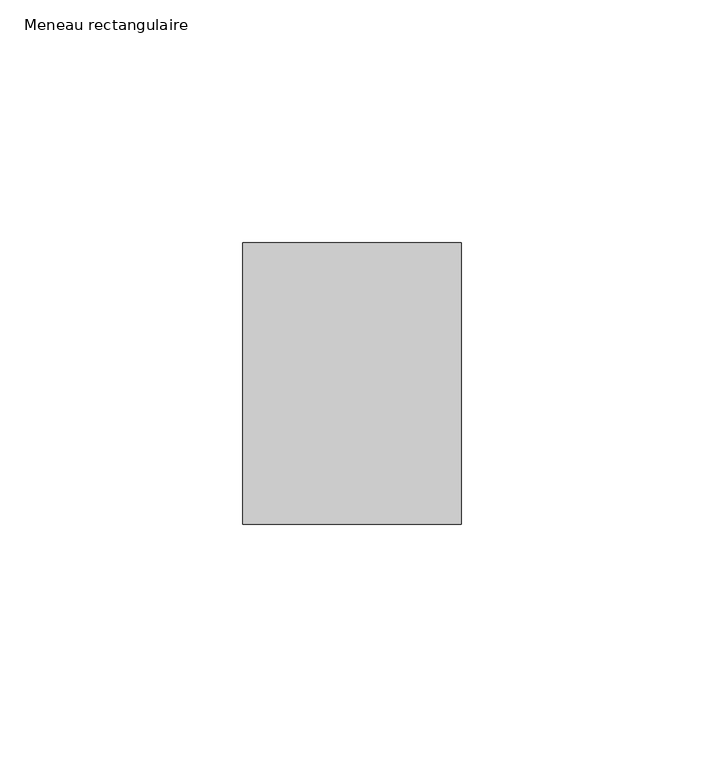
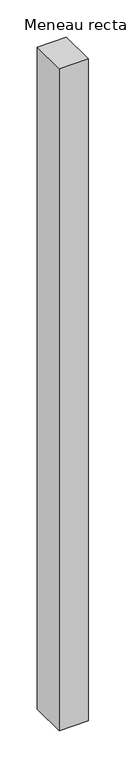
"""IFC4 building model written with IfcOpenShell, lengths in millimetres: member geometry, Meneau rectangulaire."""

from ifc_helpers import new_model, si_unit, frame, origin, place, context, project, spatial, polyline, outline, extrude, source, transform, mapped, element, save


def meneau_rectangulaire_7c7d202b(model_context):
    return source(origin(), model_context, "Body", "SweptSolid", [
        extrude(outline(polyline([(-45.0, 29.0), (0.0, 29.0), (0.0, -29.0), (-45.0, -29.0), (-45.0, 29.0)])), frame((0.0, 0.0, -1081.5497356), z_axis=(0.0, 0.0, 1.0), x_axis=(1.0, 0.0, 0.0)), (0.0, 0.0, 1.0), 1081.5497356),
    ])


if __name__ == "__main__":
    model = new_model("IFC4")
    model_context = context("Model", 3, world=origin())
    ifc_project = project(units=[si_unit("LENGTHUNIT", "METRE", prefix="MILLI")], contexts=[model_context])
    site = spatial("IfcSite", under=ifc_project)
    building = spatial("IfcBuilding", under=site)
    placement = place(None, origin())
    meneau_rectangulaire_shape = meneau_rectangulaire_7c7d202b(model_context)
    element("IfcMember", 1, ObjectType="Meneau rectangulaire", at=placement, inside=building, context=model_context, shape_type="MappedRepresentation", body=[
        mapped(meneau_rectangulaire_shape, transform((0.0, 0.0, 0.0), x_axis=(1.0, 0.0, 0.0), y_axis=(0.0, 1.0, 0.0), z_axis=(0.0, 0.0, 1.0))),
    ])
    save(model, "model.ifc")
